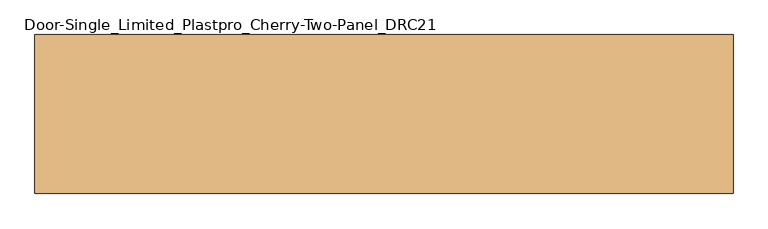
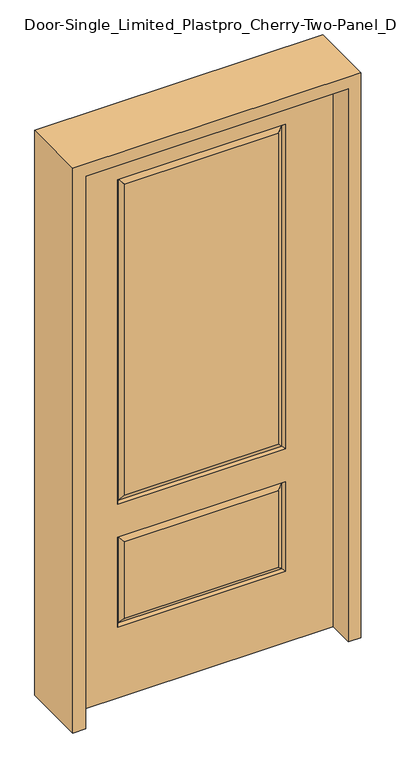
"""IFC4 building model written with IfcOpenShell, lengths in millimetres: door geometry, Door-Single_Limited_Plastpro_Cherry-Two-Panel_DRC21."""

from ifc_helpers import new_model, si_unit, frame, origin, place, context, project, spatial, polyline, outline, extrude, faceted_brep, source, transform, mapped, element, save


def door_single_limited_plastpro_cherry_two_panel_drc21_63c81498(model_context):
    return source(origin(), model_context, "Body", "SolidModel", [
        faceted_brep([(457.2, 22.225, 0.0), (457.2, -22.225, 0.0), (-457.2, -22.225, 0.0), (-457.2, 22.225, 0.0), (457.2, 22.225, 2032.0), (457.2, -22.225, 2032.0), (-267.49375, -22.225, 284.95625), (267.49375, -22.225, 284.95625), (267.49375, -22.225, 565.94375), (-267.49375, -22.225, 565.94375), (-267.49375, -22.225, 735.80625), (267.49375, -22.225, 735.80625), (267.49375, -22.225, 1880.39375), (-267.49375, -22.225, 1880.39375), (-457.2, -22.225, 2032.0), (292.1, -22.225, 711.2), (-292.1, -22.225, 711.2), (-292.1, -22.225, 1905.0), (292.1, -22.225, 1905.0), (292.1, -22.225, 260.35), (-292.1, -22.225, 260.35), (-292.1, -22.225, 590.55), (292.1, -22.225, 590.55), (-457.2, 22.225, 2032.0), (267.49375, 22.225, 284.95625), (-267.49375, 22.225, 284.95625), (-267.49375, 22.225, 565.94375), (267.49375, 22.225, 565.94375), (267.49375, 22.225, 735.80625), (-267.49375, 22.225, 735.80625), (-267.49375, 22.225, 1880.39375), (267.49375, 22.225, 1880.39375), (-292.1, 22.225, 711.2), (292.1, 22.225, 711.2), (292.1, 22.225, 1905.0), (-292.1, 22.225, 1905.0), (-292.1, 22.225, 260.35), (292.1, 22.225, 260.35), (292.1, 22.225, 590.55), (-292.1, 22.225, 590.55), (-284.9911499, 12.7912373, 267.4588501), (284.9911499, 12.7912373, 267.4588501), (284.9911499, 12.7912373, 583.4411499), (-284.9911499, 12.7912373, 583.4411499), (-284.9911499, 12.7912373, 718.3088501), (284.9911499, 12.7912373, 718.3088501), (284.9911499, 12.7912373, 1897.8911499), (-284.9911499, 12.7912373, 1897.8911499), (284.9911499, -12.7912373, 267.4588501), (-284.9911499, -12.7912373, 267.4588501), (-284.9911499, -12.7912373, 583.4411499), (284.9911499, -12.7912373, 583.4411499), (284.9911499, -12.7912373, 718.3088501), (-284.9911499, -12.7912373, 718.3088501), (-284.9911499, -12.7912373, 1897.8911499), (284.9911499, -12.7912373, 1897.8911499)], [[[0, 1, 2, 3]], [[4, 5, 1, 0]], [[6, 7, 8, 9]], [[10, 11, 12, 13]], [[5, 14, 2, 1], [15, 16, 17, 18], [19, 20, 21, 22]], [[14, 23, 3, 2]], [[24, 25, 26, 27]], [[28, 29, 30, 31]], [[23, 4, 0, 3], [32, 33, 34, 35], [36, 37, 38, 39]], [[36, 40, 41, 37]], [[37, 41, 42, 38]], [[43, 39, 38, 42]], [[40, 36, 39, 43]], [[41, 40, 25, 24]], [[25, 40, 43, 26]], [[26, 43, 42, 27]], [[41, 24, 27, 42]], [[32, 44, 45, 33]], [[33, 45, 46, 34]], [[44, 32, 35, 47]], [[45, 44, 29, 28]], [[29, 44, 47, 30]], [[45, 28, 31, 46]], [[48, 49, 20, 19]], [[20, 49, 50, 21]], [[21, 50, 51, 22]], [[48, 19, 22, 51]], [[49, 48, 7, 6]], [[7, 48, 51, 8]], [[50, 9, 8, 51]], [[49, 6, 9, 50]], [[52, 53, 16, 15]], [[16, 53, 54, 17]], [[52, 15, 18, 55]], [[53, 52, 11, 10]], [[11, 52, 55, 12]], [[53, 10, 13, 54]], [[4, 23, 14, 5]], [[17, 54, 55, 18]], [[54, 13, 12, 55]], [[47, 35, 34, 46]], [[30, 47, 46, 31]]]),
        extrude(outline(polyline([(2076.45, -501.65), (0.0, -501.65), (0.0, -457.2), (2032.0, -457.2), (2032.0, 457.2), (0.0, 457.2), (0.0, 501.65), (2076.45, 501.65), (2076.45, -501.65)])), frame((0.0, -114.3, 0.0), z_axis=(0.0, 1.0, 0.0), x_axis=(0.0, 0.0, 1.0)), (0.0, 0.0, 1.0), 228.6),
    ])


if __name__ == "__main__":
    model = new_model("IFC4")
    model_context = context("Model", 3, world=origin())
    ifc_project = project(units=[si_unit("LENGTHUNIT", "METRE", prefix="MILLI")], contexts=[model_context])
    site = spatial("IfcSite", under=ifc_project)
    building = spatial("IfcBuilding", under=site)
    placement = place(None, origin())
    door_single_limited_plastpro_cherry_two_panel_drc21_shape = door_single_limited_plastpro_cherry_two_panel_drc21_63c81498(model_context)
    element("IfcDoor", 1, ObjectType="Door-Single_Limited_Plastpro_Cherry-Two-Panel_DRC21", at=placement, inside=building, context=model_context, shape_type="MappedRepresentation", body=[
        mapped(door_single_limited_plastpro_cherry_two_panel_drc21_shape, transform((0.0, 0.0, 0.0), x_axis=(1.0, 0.0, 0.0), y_axis=(0.0, 1.0, 0.0), z_axis=(0.0, 0.0, 1.0))),
    ])
    save(model, "model.ifc")
